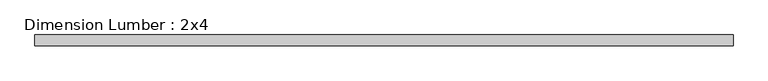
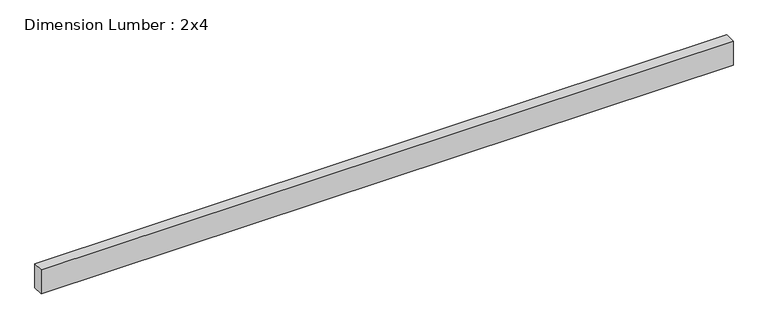
"""IFC4 building model written with IfcOpenShell, lengths in millimetres: beam geometry, Dimension Lumber : 2x4."""

from ifc_helpers import new_model, si_unit, frame, origin, place, context, project, spatial, polyline, outline, extrude, source, transform, mapped, element, save


def dimension_lumber_2x4_64568d06(model_context):
    return source(origin(), model_context, "Body", "SweptSolid", [
        extrude(outline(polyline([(1123.0416397, 19.05), (1123.0416397, -19.05), (-1289.7064677, -19.05), (-1289.7064677, 19.05), (1123.0416397, 19.05)])), frame((0.0, 0.0, -44.45), z_axis=(0.0, 0.0, 1.0), x_axis=(1.0, 0.0, 0.0)), (0.0, 0.0, 1.0), 88.9),
    ])


if __name__ == "__main__":
    model = new_model("IFC4")
    model_context = context("Model", 3, world=origin())
    ifc_project = project(units=[si_unit("LENGTHUNIT", "METRE", prefix="MILLI")], contexts=[model_context])
    site = spatial("IfcSite", under=ifc_project)
    building = spatial("IfcBuilding", under=site)
    placement = place(None, origin())
    dimension_lumber_2x4_shape = dimension_lumber_2x4_64568d06(model_context)
    element("IfcBeam", 1, ObjectType="Dimension Lumber : 2x4", at=placement, inside=building, context=model_context, shape_type="MappedRepresentation", body=[
        mapped(dimension_lumber_2x4_shape, transform((0.0, 0.0, 0.0), x_axis=(1.0, 0.0, 0.0), y_axis=(0.0, 1.0, 0.0), z_axis=(0.0, 0.0, 1.0))),
    ])
    save(model, "model.ifc")
